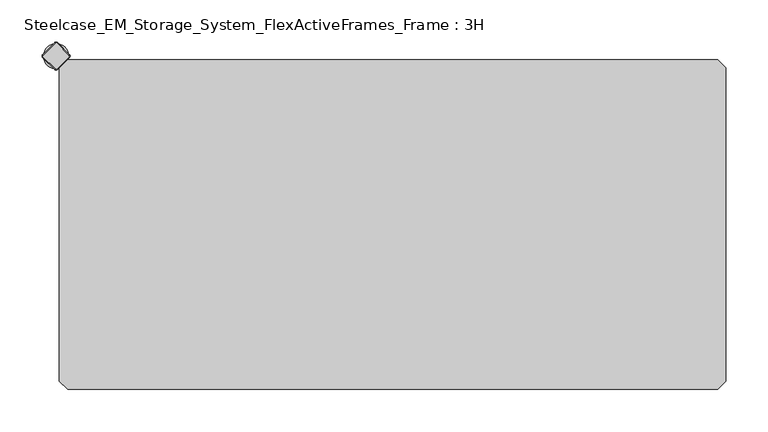
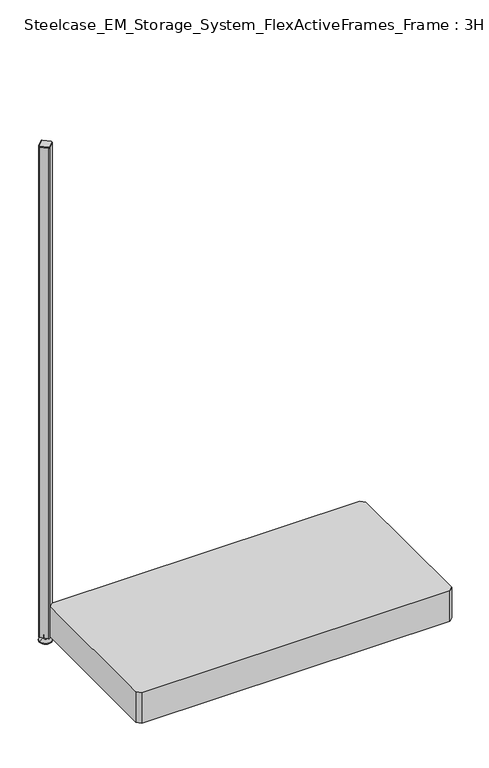
"""IFC4 building model written with IfcOpenShell, lengths in millimetres: furniture geometry, Steelcase_EM_Storage_System_FlexActiveFrames_Frame : 3H."""

from ifc_helpers import new_model, si_unit, point, frame, frame_2d, origin, place, context, project, spatial, polyline, circle_curve, trimmed, segment, composite_curve, outline, extrude, source, transform, mapped, element, save
from ifc_brep_helpers import plane_surface, cylinder_surface, revolved_surface, advanced_brep


def steelcase_em_storage_system_flexactiveframes_frame_3h_35ab2030(model_context):
    return source(origin(), model_context, "Body", "SolidModel", [
        advanced_brep(
        [(-15.0, 0.0, 0.0), (15.0, 0.0, 0.0), (0.0, 0.0, 0.0), (-15.0, 0.0, 2.0), (15.0, 0.0, 2.0), (-8.0, 0.0, 9.0), (8.0, 0.0, 9.0), (-4.0, 0.0, 9.0), (4.0, 0.0, 9.0), (-4.0, 0.0, 15.0), (4.0, 0.0, 15.0), (0.0, 0.0, 15.0)],
        [
            (0, 1, circle_curve(frame((0.0, 0.0, 0.0), z_axis=(0.0, 0.0, -1.0), x_axis=(1.0, 0.0, 0.0)), 15.0)),
            (1, 2),
            (2, 0),
            (1, 0, circle_curve(frame((0.0, 0.0, 0.0), z_axis=(0.0, 0.0, -1.0), x_axis=(1.0, 0.0, 0.0)), 15.0)),
            (3, 4, circle_curve(frame((0.0, 0.0, 2.0), z_axis=(0.0, 0.0, -1.0), x_axis=(1.0, 0.0, 0.0)), 15.0)),
            (4, 1),
            (0, 3),
            (4, 3, circle_curve(frame((0.0, 0.0, 2.0), z_axis=(0.0, 0.0, -1.0), x_axis=(1.0, 0.0, 0.0)), 15.0)),
            (5, 6, circle_curve(frame((0.0, 0.0, 9.0), z_axis=(0.0, 0.0, -1.0), x_axis=(1.0, 0.0, 0.0)), 8.0)),
            (6, 4),
            (3, 5),
            (6, 5, circle_curve(frame((0.0, 0.0, 9.0), z_axis=(0.0, 0.0, -1.0), x_axis=(1.0, 0.0, 0.0)), 8.0)),
            (7, 8, circle_curve(frame((0.0, 0.0, 9.0), z_axis=(0.0, 0.0, -1.0), x_axis=(1.0, 0.0, 0.0)), 4.0)),
            (8, 6),
            (5, 7),
            (8, 7, circle_curve(frame((0.0, 0.0, 9.0), z_axis=(0.0, 0.0, -1.0), x_axis=(1.0, 0.0, 0.0)), 4.0)),
            (9, 10, circle_curve(frame((0.0, 0.0, 15.0), z_axis=(0.0, 0.0, -1.0), x_axis=(1.0, 0.0, 0.0)), 4.0)),
            (10, 8),
            (7, 9),
            (10, 9, circle_curve(frame((0.0, 0.0, 15.0), z_axis=(0.0, 0.0, -1.0), x_axis=(1.0, 0.0, 0.0)), 4.0)),
            (11, 10),
            (9, 11),
        ],
        [
            plane_surface(frame((0.0, 0.0, 0.0), z_axis=(0.0, 0.0, -1.0), x_axis=(1.0, 0.0, 0.0))),
            cylinder_surface(frame((0.0, 0.0, 18.6083303), z_axis=(0.0, 0.0, 1.0), x_axis=(1.0, 0.0, 0.0)), 15.0),
            revolved_surface(polyline([(15.0, 0.0, 2.0), (8.0, 0.0, 9.0)]), (0.0, 0.0, 18.6083303), (0.0, 0.0, 1.0)),
            plane_surface(frame((0.0, 0.0, 9.0), z_axis=(0.0, 0.0, 1.0), x_axis=(1.0, 0.0, 0.0))),
            cylinder_surface(frame((0.0, 0.0, 18.6083303), z_axis=(0.0, 0.0, 1.0), x_axis=(1.0, 0.0, 0.0)), 4.0),
            plane_surface(frame((0.0, 0.0, 15.0), z_axis=(0.0, 0.0, 1.0), x_axis=(1.0, 0.0, 0.0))),
        ],
        [
            (0, [[1, 2, 3]]),
            (0, [[4, -3, -2]]),
            (1, [[5, 6, -1, 7]]),
            (1, [[8, -7, -4, -6]]),
            (2, [[9, 10, -5, 11]]),
            (2, [[12, -11, -8, -10]]),
            (3, [[13, 14, -9, 15]]),
            (3, [[16, -15, -12, -14]]),
            (4, [[17, 18, -13, 19]]),
            (4, [[20, -19, -16, -18]]),
            (5, [[21, -17, 22]]),
            (5, [[-22, -20, -21]]),
        ],
    ),
        advanced_brep(
        [(-1.2020815, 15.3442172, 1317.0), (-15.3442172, 1.2020815, 1317.0), (-15.3442172, -1.2020815, 1317.0), (-1.2020815, -15.3442172, 1317.0), (1.2020815, -15.3442172, 1317.0), (15.3442172, -1.2020815, 1317.0), (15.3442172, 1.2020815, 1317.0), (1.2020815, 15.3442172, 1317.0), (-1.767767, 15.9099026, 1315.0), (1.767767, 15.9099026, 1315.0), (15.9099026, 1.767767, 1315.0), (15.9099026, -1.767767, 1315.0), (1.767767, -15.9099026, 1315.0), (-1.767767, -15.9099026, 1315.0), (-15.9099026, -1.767767, 1315.0), (-15.9099026, 1.767767, 1315.0)],
        [
            (0, 1),
            (1, 2, circle_curve(frame((-14.1421356, 0.0, 1317.0), z_axis=(0.0, 0.0, 1.0), x_axis=(-0.7071067811865537, 0.7071067811865414, 0.0)), 1.7)),
            (2, 3),
            (3, 4, circle_curve(frame((0.0, -14.1421356, 1317.0), z_axis=(0.0, 0.0, 1.0), x_axis=(-0.7071067811865491, -0.707106781186546, 0.0)), 1.7)),
            (4, 5),
            (5, 6, circle_curve(frame((14.1421356, 0.0, 1317.0), z_axis=(0.0, 0.0, 1.0), x_axis=(0.707106781186539, -0.7071067811865559, 0.0)), 1.7)),
            (6, 7),
            (7, 0, circle_curve(frame((0.0, 14.1421356, 1317.0), z_axis=(0.0, 0.0, 1.0), x_axis=(0.7071067811865458, 0.7071067811865492, 0.0)), 1.7)),
            (8, 9, circle_curve(frame((0.0, 14.1421356, 1315.0), z_axis=(0.0, 0.0, -1.0), x_axis=(0.7071067811865458, 0.7071067811865492, 0.0)), 2.5)),
            (9, 10),
            (10, 11, circle_curve(frame((14.1421356, 0.0, 1315.0), z_axis=(0.0, 0.0, -1.0), x_axis=(0.707106781186539, -0.7071067811865559, 0.0)), 2.5)),
            (11, 12),
            (12, 13, circle_curve(frame((0.0, -14.1421356, 1315.0), z_axis=(0.0, 0.0, -1.0), x_axis=(-0.7071067811865491, -0.707106781186546, 0.0)), 2.5)),
            (13, 14),
            (14, 15, circle_curve(frame((-14.1421356, 0.0, 1315.0), z_axis=(0.0, 0.0, -1.0), x_axis=(-0.7071067811865537, 0.7071067811865414, 0.0)), 2.5)),
            (15, 8),
            (15, 1),
            (0, 8),
            (14, 2),
            (13, 3),
            (12, 4),
            (11, 5),
            (10, 6),
            (9, 7),
        ],
        [
            plane_surface(frame((0.0, 0.0, 1317.0), z_axis=(0.0, 0.0, 1.0), x_axis=(-0.7071067811865486, 0.7071067811865466, 0.0))),
            plane_surface(frame((0.0, 0.0, 1315.0), z_axis=(0.0, 0.0, -1.0), x_axis=(-0.7071067811865486, 0.7071067811865466, 0.0))),
            plane_surface(frame((-8.8388348, 8.8388348, 1315.0), z_axis=(-0.6565321642986406, 0.656532164298628, 0.3713906763540281), x_axis=(-0.7071067811865408, -0.7071067811865543, 0.0))),
            revolved_surface(polyline([(-15.34421716, 1.20208156, 1317.0), (-15.9099026, 1.767767, 1315.0)]), (-14.1421356, 0.0, 1321.25), (0.0, 0.0, -1.0)),
            plane_surface(frame((-8.8388348, -8.8388348, 1315.0), z_axis=(-0.6565321642986325, -0.6565321642986414, 0.3713906763540188), x_axis=(0.7071067811865523, -0.7071067811865428, 0.0))),
            revolved_surface(polyline([(-1.20208156, -15.34421716, 1317.0), (-1.767767, -15.9099026, 1315.0)]), (0.0, -14.1421356, 1321.25), (0.0, 0.0, -1.0)),
            plane_surface(frame((8.8388348, -8.8388348, 1315.0), z_axis=(0.6565321642986457, -0.6565321642986508, 0.3713906763539787), x_axis=(0.7071067811865541, 0.707106781186541, 0.0))),
            revolved_surface(polyline([(15.34421716, -1.20208156, 1317.0), (15.9099026, -1.767767, 1315.0)]), (14.1421356, 0.0, 1321.25), (0.0, 0.0, -1.0)),
            plane_surface(frame((8.8388348, 8.8388348, 1315.0), z_axis=(0.656532164298657, 0.6565321642986371, 0.37139067635398293), x_axis=(-0.7071067811865407, 0.7071067811865545, 0.0))),
            revolved_surface(polyline([(1.20208156, 15.34421716, 1317.0), (1.767767, 15.9099026, 1315.0)]), (0.0, 14.1421356, 1321.25), (0.0, 0.0, -1.0)),
        ],
        [
            (0, [[1, 2, 3, 4, 5, 6, 7, 8]]),
            (1, [[9, 10, 11, 12, 13, 14, 15, 16]]),
            (2, [[-16, 17, -1, 18]]),
            (3, [[-15, 19, -2, -17]]),
            (4, [[-14, 20, -3, -19]]),
            (5, [[-13, 21, -4, -20]]),
            (6, [[-12, 22, -5, -21]]),
            (7, [[-11, 23, -6, -22]]),
            (8, [[-10, 24, -7, -23]]),
            (9, [[-9, -18, -8, -24]]),
        ],
    ),
        extrude(outline(composite_curve([segment(trimmed(circle_curve(frame_2d((14.1421356, 0.0)), 2.5), [point((15.9099026, 1.767767))], [point((15.9099026, -1.767767))], False, "CARTESIAN"), True, "CONTINUOUS"), segment(polyline([(15.9099026, -1.767767), (1.767767, -15.9099026)]), True, "CONTINUOUS"), segment(trimmed(circle_curve(frame_2d((0.0, -14.1421356)), 2.5), [point((1.767767, -15.9099026))], [point((-1.767767, -15.9099026))], False, "CARTESIAN"), True, "CONTINUOUS"), segment(polyline([(-1.767767, -15.9099026), (-15.9099026, -1.767767)]), True, "CONTINUOUS"), segment(trimmed(circle_curve(frame_2d((-14.1421356, 0.0)), 2.5), [point((-15.9099026, -1.767767))], [point((-15.9099026, 1.767767))], False, "CARTESIAN"), True, "CONTINUOUS"), segment(polyline([(-15.9099026, 1.767767), (-1.767767, 15.9099026)]), True, "CONTINUOUS"), segment(trimmed(circle_curve(frame_2d((0.0, 14.1421356)), 2.5), [point((-1.767767, 15.9099026))], [point((1.767767, 15.9099026))], False, "CARTESIAN"), True, "CONTINUOUS"), segment(polyline([(1.767767, 15.9099026), (15.9099026, 1.767767)]), True, "CONTINUOUS")], self_intersect=False)), frame((0.0, 0.0, 15.0), z_axis=(0.0, 0.0, 1.0), x_axis=(1.0, 0.0, 0.0)), (0.0, 0.0, 1.0), 1300.0),
        extrude(outline(polyline([(4.0, -13.6776695), (13.6776695, -4.0), (786.3223305, -4.0), (796.0, -13.6776695), (796.0, -386.3223305), (786.3223305, -396.0), (13.6776695, -396.0), (4.0, -386.3223305), (4.0, -13.6776695)])), frame((0.0, 0.0, 16.0), z_axis=(0.0, 0.0, 1.0), x_axis=(1.0, 0.0, 0.0)), (0.0, 0.0, 1.0), 80.0),
    ])


if __name__ == "__main__":
    model = new_model("IFC4")
    model_context = context("Model", 3, world=origin())
    ifc_project = project(units=[si_unit("LENGTHUNIT", "METRE", prefix="MILLI")], contexts=[model_context])
    site = spatial("IfcSite", under=ifc_project)
    building = spatial("IfcBuilding", under=site)
    placement = place(None, origin())
    steelcase_em_storage_system_flexactiveframes_frame_3h_shape = steelcase_em_storage_system_flexactiveframes_frame_3h_35ab2030(model_context)
    element("IfcFurniture", 1, ObjectType="Steelcase_EM_Storage_System_FlexActiveFrames_Frame : 3H", at=placement, inside=building, context=model_context, shape_type="MappedRepresentation", body=[
        mapped(steelcase_em_storage_system_flexactiveframes_frame_3h_shape, transform((0.0, 0.0, 0.0), x_axis=(1.0, 0.0, 0.0), y_axis=(0.0, 1.0, 0.0), z_axis=(0.0, 0.0, 1.0))),
    ])
    save(model, "model.ifc")
